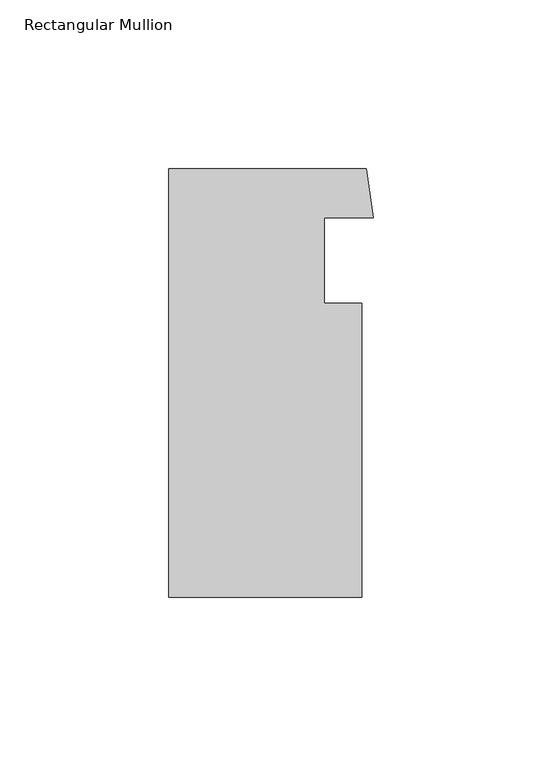
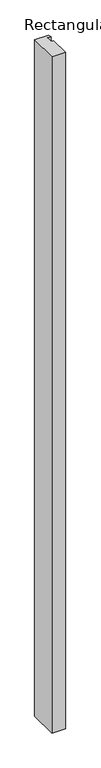
"""IFC4 building model written with IfcOpenShell, lengths in millimetres: member geometry, Rectangular Mullion."""

import ifcopenshell
import ifcopenshell.guid

model = None  # the IFC model being written
_history = None  # IfcOwnerHistory: only IFC2X3 demands one
_inside = {}  # id of a spatial element -> (the spatial element, [elements in it])
_under = {}  # id of a project, library or spatial element -> (it, [spatial elements below it])
_declared = {}  # id of a project -> (the project, [libraries it declares])
_typed = {}  # id of a type object -> (the type object, [elements of that type])
_made_of = {}  # id of a material, layer set ... -> (it, [elements and type objects made of it])


def new_model(schema):
    """Start an empty IFC model of exactly this schema.

    Asked for "IFC4X3", IfcOpenShell would pick the latest addendum, in which some entities
    have other attributes; the version numbers below select the first issue.
    IFC2X3 requires an IfcOwnerHistory on every rooted entity: one is made here for all.
    """
    global model, _history
    if schema == "IFC4X3":
        model = ifcopenshell.file(schema_version=(4, 3, 0, 0))
    else:
        model = ifcopenshell.file(schema=schema)
    _inside.clear()
    _under.clear()
    _declared.clear()
    _typed.clear()
    _made_of.clear()
    _history = None
    if model.schema == "IFC2X3":
        org = make("IfcOrganization", Name="unknown")
        user = make(
            "IfcPersonAndOrganization",
            ThePerson=make("IfcPerson", FamilyName="unknown"),
            TheOrganization=org,
        )
        app = make(
            "IfcApplication",
            ApplicationDeveloper=org,
            Version="unknown",
            ApplicationFullName="unknown",
            ApplicationIdentifier="unknown",
        )
        _history = make(
            "IfcOwnerHistory",
            OwningUser=user,
            OwningApplication=app,
            ChangeAction="ADDED",
            CreationDate=0,
        )
    return model


def make(cls, **values):
    """One entity of the class cls with the attributes given. An attribute that is None is left unset."""
    return model.create_entity(
        cls, **{name: value for name, value in values.items() if value is not None}
    )


def rooted(cls, **values):
    """An entity with a GlobalId (a new one), such as an element, a storey or a relation."""
    return make(cls, GlobalId=ifcopenshell.guid.new(), OwnerHistory=_history, **values)


def si_unit(unit_type, name, prefix=None):
    """IfcSIUnit, for example si_unit("LENGTHUNIT", "METRE", prefix="MILLI")."""
    return make("IfcSIUnit", UnitType=unit_type, Prefix=prefix, Name=name)


def assignment(units):
    """IfcUnitAssignment: the units of a project."""
    return None if units is None else make("IfcUnitAssignment", Units=units)


def point(xyz):
    """IfcCartesianPoint."""
    return None if xyz is None else make("IfcCartesianPoint", Coordinates=xyz)


def direction(xyz):
    """IfcDirection."""
    return None if xyz is None else make("IfcDirection", DirectionRatios=xyz)


def frame(location, z_axis=None, x_axis=None):
    """IfcAxis2Placement3D, a coordinate frame: its origin and axes. An axis left out is left unset."""
    return make(
        "IfcAxis2Placement3D",
        Location=point(location),
        Axis=direction(z_axis),
        RefDirection=direction(x_axis),
    )


def origin():
    """The frame at (0, 0, 0) with its axes left unset."""
    return frame((0.0, 0.0, 0.0))


def place(relative_to, where):
    """IfcLocalPlacement: puts the frame where relative to a parent placement (None: the world)."""
    return make(
        "IfcLocalPlacement", PlacementRelTo=relative_to, RelativePlacement=where
    )


def context(
    kind, dimensions, precision=None, world=None, true_north=None, identifier=None
):
    """IfcGeometricRepresentationContext, for example the 3D "Model" context."""
    return make(
        "IfcGeometricRepresentationContext",
        ContextIdentifier=identifier,
        ContextType=kind,
        CoordinateSpaceDimension=dimensions,
        Precision=precision,
        WorldCoordinateSystem=world,
        TrueNorth=true_north,
    )


def project(units=None, contexts=None):
    """IfcProject with its units and contexts."""
    return rooted(
        "IfcProject",
        Name="project",
        RepresentationContexts=contexts,
        UnitsInContext=assignment(units),
    )


def spatial(cls, under=None, at=None, **own):
    """A site, building, storey or space (cls), placed at a placement, below another one or the project."""
    s = rooted(cls, ObjectPlacement=at, **own)
    if under is not None:
        _under.setdefault(under.id(), (under, []))[1].append(s)
    return s


def polyline(points):
    """IfcPolyline through the points."""
    return make("IfcPolyline", Points=[point(p) for p in points])


def outline(outer, holes=None, kind="AREA"):
    """IfcArbitraryClosedProfileDef: a profile drawn as a closed curve; with holes, ...WithVoids."""
    if holes is None:
        return make("IfcArbitraryClosedProfileDef", ProfileType=kind, OuterCurve=outer)
    return make(
        "IfcArbitraryProfileDefWithVoids",
        ProfileType=kind,
        OuterCurve=outer,
        InnerCurves=holes,
    )


def extrude(swept, where, along, depth):
    """IfcExtrudedAreaSolid: the profile swept, set in the frame where, extruded along a direction by depth."""
    return make(
        "IfcExtrudedAreaSolid",
        SweptArea=swept,
        Position=where,
        ExtrudedDirection=direction(along),
        Depth=depth,
    )


def shape(context_of_items, identifier, shape_type, items):
    """IfcShapeRepresentation: the items that make up one representation, for example the "Body"."""
    return make(
        "IfcShapeRepresentation",
        ContextOfItems=context_of_items,
        RepresentationIdentifier=identifier,
        RepresentationType=shape_type,
        Items=items,
    )


def source(mapping_origin, context_of_items, identifier, shape_type, items):
    """IfcRepresentationMap: a shape defined once, which mapped items show again and again."""
    return make(
        "IfcRepresentationMap",
        MappingOrigin=mapping_origin,
        MappedRepresentation=shape(context_of_items, identifier, shape_type, items),
    )


def transform(
    local_origin,
    x_axis=None,
    y_axis=None,
    z_axis=None,
    scale=None,
    scale2=None,
    scale3=None,
    uniform=True,
):
    """IfcCartesianTransformationOperator3D, or its non-uniform kind. x_axis, y_axis, z_axis: its Axis1, 2, 3."""
    if uniform:
        return make(
            "IfcCartesianTransformationOperator3D",
            Axis1=direction(x_axis),
            Axis2=direction(y_axis),
            LocalOrigin=point(local_origin),
            Scale=scale,
            Axis3=direction(z_axis),
        )
    return make(
        "IfcCartesianTransformationOperator3DnonUniform",
        Axis1=direction(x_axis),
        Axis2=direction(y_axis),
        LocalOrigin=point(local_origin),
        Scale=scale,
        Axis3=direction(z_axis),
        Scale2=scale2,
        Scale3=scale3,
    )


def mapped(mapping_source, mapping_target):
    """IfcMappedItem: shows the shape of a source again, moved by a transform."""
    return make(
        "IfcMappedItem", MappingSource=mapping_source, MappingTarget=mapping_target
    )


def made_of(thing, what):
    """Note that an element or type object is made of a material, layer set ...; save() writes the relation."""
    if what is not None:
        _made_of.setdefault(what.id(), (what, []))[1].append(thing)
    return thing


def element(
    cls,
    number,
    at=None,
    inside=None,
    cuts=None,
    type_object=None,
    material=None,
    context=None,
    identifier="Body",
    shape_type=None,
    held_by="IfcProductDefinitionShape",
    body=None,
    shapes=None,
    **own,
):
    """One element of the class cls, such as IfcWall. Its Tag is "e" and its number.

    at: its placement. inside: the storey or other place that contains it. cuts: it is an
    opening in that element (IfcRelVoidsElement). A single representation is given by context,
    identifier, shape_type and body (its items); several are given by shapes. held_by: the class
    of the entity that holds the representations. save() writes the other relations.
    """
    e = rooted(cls, Tag="e%d" % number, ObjectPlacement=at, **own)
    if body is not None:
        shapes = [shape(context, identifier, shape_type, body)]
    if shapes is not None:
        e.Representation = make(held_by, Representations=shapes)
    if inside is not None:
        _inside.setdefault(inside.id(), (inside, []))[1].append(e)
    if cuts is not None:
        rooted(
            "IfcRelVoidsElement", RelatingBuildingElement=cuts, RelatedOpeningElement=e
        )
    if type_object is not None:
        _typed.setdefault(type_object.id(), (type_object, []))[1].append(e)
    return made_of(e, material)


def aggregate(whole, parts):
    """IfcRelAggregates: a whole, such as a stair, and the parts it consists of."""
    return rooted("IfcRelAggregates", RelatingObject=whole, RelatedObjects=parts)


def save(model, path):
    """Write the relations noted so far, then the file.

    IfcRelAggregates (storeys below a building ...), IfcRelContainedInSpatialStructure (elements
    in a storey), IfcRelDefinesByType, IfcRelAssociatesMaterial and IfcRelDeclares: one each for
    every whole, place, type object, material and project.
    """
    for whole, parts in _under.values():
        aggregate(whole, parts)
    for where, things in _inside.values():
        rooted(
            "IfcRelContainedInSpatialStructure",
            RelatedElements=things,
            RelatingStructure=where,
        )
    for kind, things in _typed.values():
        rooted("IfcRelDefinesByType", RelatedObjects=things, RelatingType=kind)
    for what, things in _made_of.values():
        rooted("IfcRelAssociatesMaterial", RelatedObjects=things, RelatingMaterial=what)
    for by, libraries in _declared.values():
        rooted("IfcRelDeclares", RelatingContext=by, RelatedDefinitions=libraries)
    model.write(path)


def rectangular_mullion_933b7fa1(model_context):
    return source(origin(), model_context, "Body", "SweptSolid", [
        extrude(outline(polyline([(-3.3960441, -66.2412316), (-60.5460441, -66.2412316), (-60.5460441, 60.7587684), (-2.0556619, 60.7587684), (0.0, 46.2549319), (-14.5085441, 46.2549319), (-14.5085441, 20.8572574), (-3.3960441, 20.8572574), (-3.3960441, -66.2412316)])), frame((0.0, 0.0, -3048.0), z_axis=(0.0, 0.0, 1.0), x_axis=(1.0, 0.0, 0.0)), (0.0, 0.0, 1.0), 3048.0),
    ])


if __name__ == "__main__":
    model = new_model("IFC4")
    model_context = context("Model", 3, world=origin())
    ifc_project = project(units=[si_unit("LENGTHUNIT", "METRE", prefix="MILLI")], contexts=[model_context])
    site = spatial("IfcSite", under=ifc_project)
    building = spatial("IfcBuilding", under=site)
    placement = place(None, origin())
    rectangular_mullion_shape = rectangular_mullion_933b7fa1(model_context)
    element("IfcMember", 1, ObjectType="Rectangular Mullion", at=placement, inside=building, context=model_context, shape_type="MappedRepresentation", body=[
        mapped(rectangular_mullion_shape, transform((0.0, 0.0, 0.0), x_axis=(1.0, 0.0, 0.0), y_axis=(0.0, 1.0, 0.0), z_axis=(0.0, 0.0, 1.0))),
    ])
    save(model, "model.ifc")
